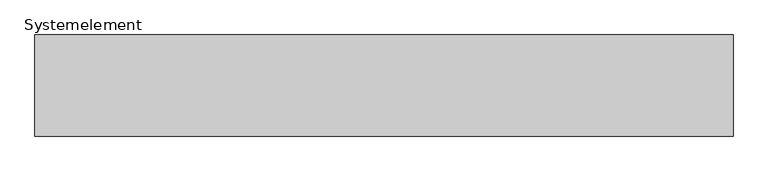
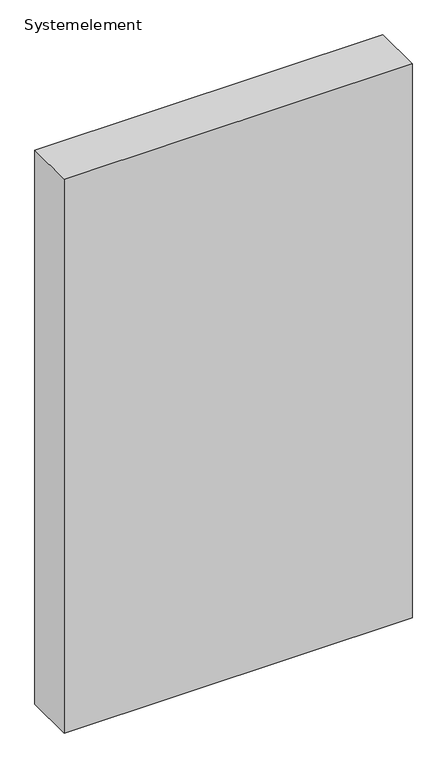
"""IFC4 building model written with IfcOpenShell, lengths in millimetres: plate geometry, Systemelement."""

from ifc_helpers import new_model, si_unit, origin, origin_with_axes, place, context, project, spatial, polyline, outline, extrude, source, transform, mapped, element, save


def systemelement_76c06153(model_context):
    return source(origin(), model_context, "Body", "SweptSolid", [
        extrude(outline(polyline([(550.0, -160.0), (-550.0, -160.0), (-550.0, 0.0), (550.0, 0.0), (550.0, -160.0)])), origin_with_axes(), (0.0, 0.0, 1.0), 1851.6147161),
    ])


if __name__ == "__main__":
    model = new_model("IFC4")
    model_context = context("Model", 3, world=origin())
    ifc_project = project(units=[si_unit("LENGTHUNIT", "METRE", prefix="MILLI")], contexts=[model_context])
    site = spatial("IfcSite", under=ifc_project)
    building = spatial("IfcBuilding", under=site)
    placement = place(None, origin())
    systemelement_shape = systemelement_76c06153(model_context)
    element("IfcPlate", 1, ObjectType="Systemelement", at=placement, inside=building, context=model_context, shape_type="MappedRepresentation", body=[
        mapped(systemelement_shape, transform((0.0, 0.0, 0.0), x_axis=(1.0, 0.0, 0.0), y_axis=(0.0, 1.0, 0.0), z_axis=(0.0, 0.0, 1.0))),
    ])
    save(model, "model.ifc")
